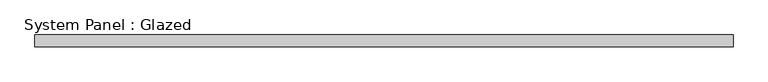
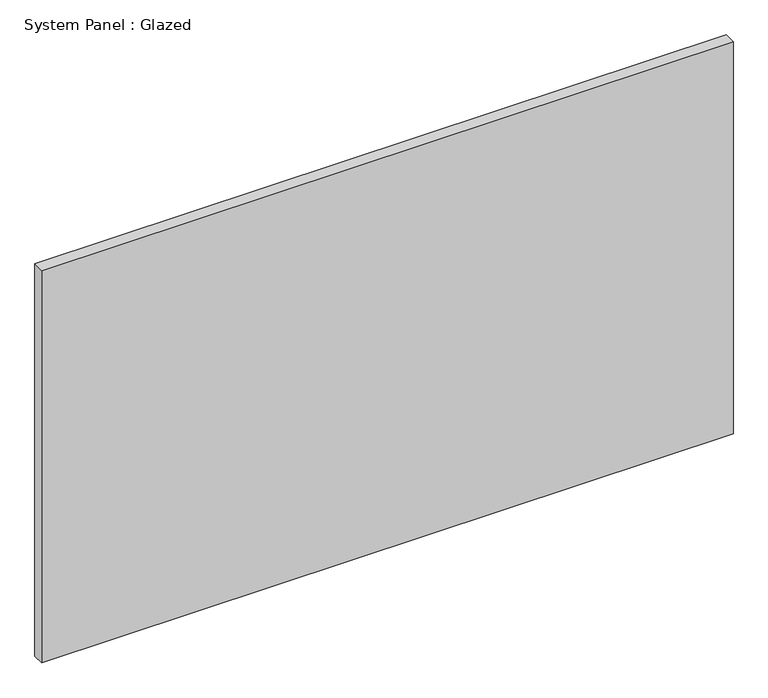
"""IFC4 building model written with IfcOpenShell, lengths in millimetres: plate geometry, System Panel : Glazed."""

from ifc_helpers import new_model, si_unit, origin, origin_with_axes, place, context, project, spatial, polyline, outline, extrude, source, transform, mapped, element, save


def system_panel_glazed_762011b3(model_context):
    return source(origin(), model_context, "Body", "SweptSolid", [
        extrude(outline(polyline([(761.9999998, 19.05), (-761.9999998, 19.05), (-761.9999998, 44.45), (761.9999998, 44.45), (761.9999998, 19.05)])), origin_with_axes(), (0.0, 0.0, 1.0), 914.4),
    ])


if __name__ == "__main__":
    model = new_model("IFC4")
    model_context = context("Model", 3, world=origin())
    ifc_project = project(units=[si_unit("LENGTHUNIT", "METRE", prefix="MILLI")], contexts=[model_context])
    site = spatial("IfcSite", under=ifc_project)
    building = spatial("IfcBuilding", under=site)
    placement = place(None, origin())
    system_panel_glazed_shape = system_panel_glazed_762011b3(model_context)
    element("IfcPlate", 1, ObjectType="System Panel : Glazed", at=placement, inside=building, context=model_context, shape_type="MappedRepresentation", body=[
        mapped(system_panel_glazed_shape, transform((0.0, 0.0, 0.0), x_axis=(1.0, 0.0, 0.0), y_axis=(0.0, 1.0, 0.0), z_axis=(0.0, 0.0, 1.0))),
    ])
    save(model, "model.ifc")
